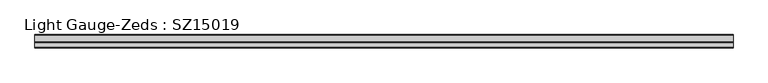
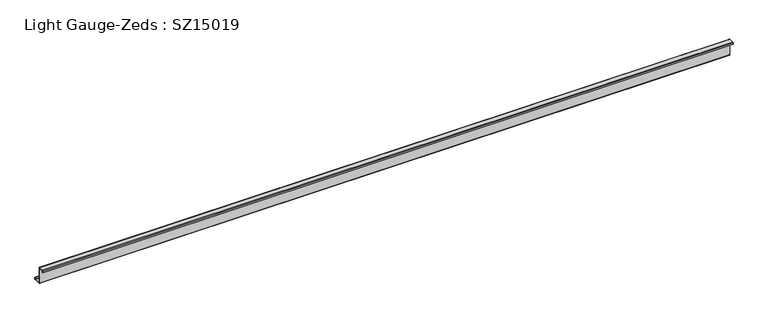
"""IFC4 building model written with IfcOpenShell, lengths in millimetres: beam geometry, Light Gauge-Zeds : SZ15019."""

from ifc_helpers import new_model, si_unit, point, frame, frame_2d, origin, place, context, project, spatial, polyline, circle_curve, trimmed, segment, composite_curve, outline, extrude, source, transform, mapped, element, save


def light_gauge_zeds_sz15019_fe3a2fa5(model_context):
    return source(origin(), model_context, "Body", "SweptSolid", [
        extrude(outline(composite_curve([segment(polyline([(0.0, -72.1), (0.0, 72.1)]), True, "CONTINUOUS"), segment(trimmed(circle_curve(frame_2d((-2.0, 72.1)), 2.0), [point((0.0, 72.1))], [point((-2.0, 74.1))], True, "CARTESIAN"), True, "CONTINUOUS"), segment(polyline([(-2.0, 74.1), (-46.6, 74.1)]), True, "CONTINUOUS"), segment(trimmed(circle_curve(frame_2d((-46.6, 72.1)), 2.0), [point((-46.6, 74.1))], [point((-48.6, 72.1))], True, "CARTESIAN"), True, "CONTINUOUS"), segment(polyline([(-48.6, 72.1), (-48.6, 58.0), (-50.5, 58.0), (-50.5, 72.1)]), True, "CONTINUOUS"), segment(trimmed(circle_curve(frame_2d((-46.6, 72.1)), 3.9), [point((-50.5, 72.1))], [point((-46.6, 76.0))], False, "CARTESIAN"), True, "CONTINUOUS"), segment(polyline([(-46.6, 76.0), (-2.0, 76.0)]), True, "CONTINUOUS"), segment(trimmed(circle_curve(frame_2d((-2.0, 72.1)), 3.9), [point((-2.0, 76.0))], [point((1.9, 72.1))], False, "CARTESIAN"), True, "CONTINUOUS"), segment(polyline([(1.9, 72.1), (1.9, -72.1)]), True, "CONTINUOUS"), segment(trimmed(circle_curve(frame_2d((3.9, -72.1)), 2.0), [point((1.9, -72.1))], [point((3.9, -74.1))], True, "CARTESIAN"), True, "CONTINUOUS"), segment(polyline([(3.9, -74.1), (63.6, -74.1)]), True, "CONTINUOUS"), segment(trimmed(circle_curve(frame_2d((63.6, -72.1)), 2.0), [point((63.6, -74.1))], [point((65.6, -72.1))], True, "CARTESIAN"), True, "CONTINUOUS"), segment(polyline([(65.6, -72.1), (65.6, -57.0), (67.5, -57.0), (67.5, -72.1)]), True, "CONTINUOUS"), segment(trimmed(circle_curve(frame_2d((63.6, -72.1)), 3.9), [point((67.5, -72.1))], [point((63.6, -76.0))], False, "CARTESIAN"), True, "CONTINUOUS"), segment(polyline([(63.6, -76.0), (3.9, -76.0)]), True, "CONTINUOUS"), segment(trimmed(circle_curve(frame_2d((3.9, -72.1)), 3.9), [point((3.9, -76.0))], [point((0.0, -72.1))], False, "CARTESIAN"), True, "CONTINUOUS")], self_intersect=False)), frame((-3086.5, 0.0, 0.0), z_axis=(1.0, 0.0, 0.0), x_axis=(0.0, 1.0, 0.0)), (0.0, 0.0, 1.0), 6173.0),
    ])


if __name__ == "__main__":
    model = new_model("IFC4")
    model_context = context("Model", 3, world=origin())
    ifc_project = project(units=[si_unit("LENGTHUNIT", "METRE", prefix="MILLI")], contexts=[model_context])
    site = spatial("IfcSite", under=ifc_project)
    building = spatial("IfcBuilding", under=site)
    placement = place(None, origin())
    light_gauge_zeds_sz15019_shape = light_gauge_zeds_sz15019_fe3a2fa5(model_context)
    element("IfcBeam", 1, ObjectType="Light Gauge-Zeds : SZ15019", at=placement, inside=building, context=model_context, shape_type="MappedRepresentation", body=[
        mapped(light_gauge_zeds_sz15019_shape, transform((0.0, 0.0, 0.0), x_axis=(1.0, 0.0, 0.0), y_axis=(0.0, 1.0, 0.0), z_axis=(0.0, 0.0, 1.0))),
    ])
    save(model, "model.ifc")
